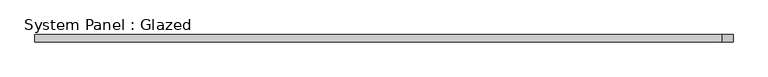
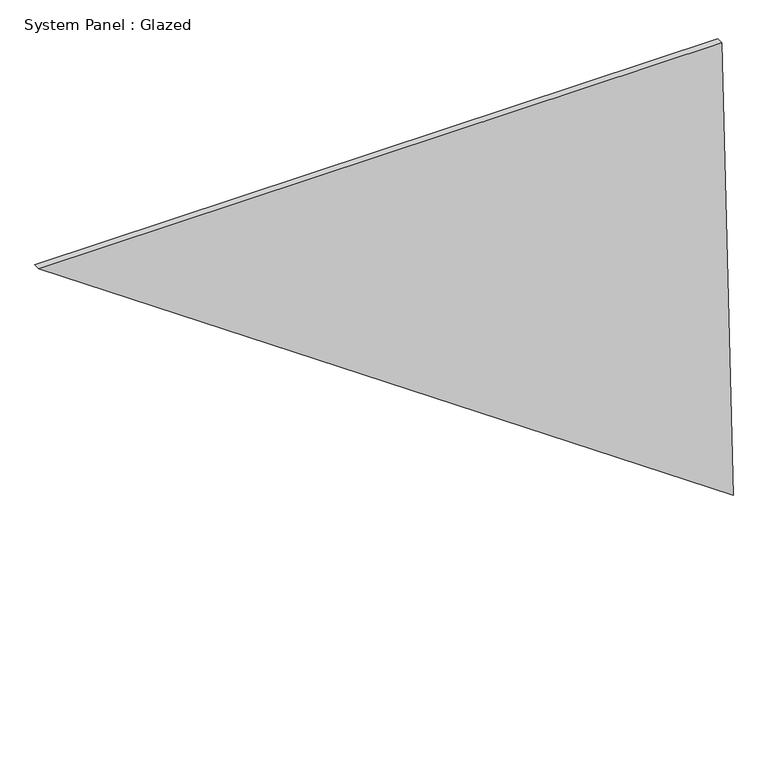
"""IFC4 building model written with IfcOpenShell, lengths in millimetres: plate geometry, System Panel : Glazed."""

from ifc_helpers import new_model, si_unit, frame, origin, place, context, project, spatial, polyline, outline, extrude, source, transform, mapped, element, save


def system_panel_glazed_3532416c(model_context):
    return source(origin(), model_context, "Body", "SweptSolid", [
        extrude(outline(polyline([(2460.3884169, -1770.224408), (0.0, 1770.224408), (2460.3884169, 1711.8630552), (2460.3884169, -1770.224408)])), frame((0.0, -18.0, 0.0), z_axis=(0.0, 1.0, 0.0), x_axis=(0.0, 0.0, 1.0)), (0.0, 0.0, 1.0), 36.0),
    ])


if __name__ == "__main__":
    model = new_model("IFC4")
    model_context = context("Model", 3, world=origin())
    ifc_project = project(units=[si_unit("LENGTHUNIT", "METRE", prefix="MILLI")], contexts=[model_context])
    site = spatial("IfcSite", under=ifc_project)
    building = spatial("IfcBuilding", under=site)
    placement = place(None, origin())
    system_panel_glazed_shape = system_panel_glazed_3532416c(model_context)
    element("IfcPlate", 1, ObjectType="System Panel : Glazed", at=placement, inside=building, context=model_context, shape_type="MappedRepresentation", body=[
        mapped(system_panel_glazed_shape, transform((0.0, 0.0, 0.0), x_axis=(1.0, 0.0, 0.0), y_axis=(0.0, 1.0, 0.0), z_axis=(0.0, 0.0, 1.0))),
    ])
    save(model, "model.ifc")
